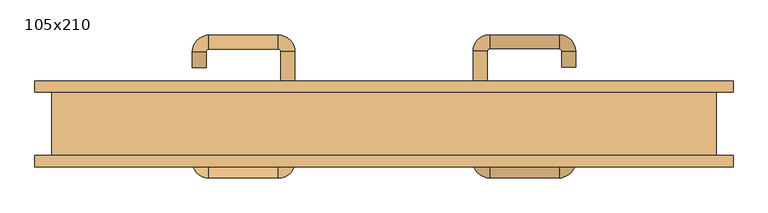
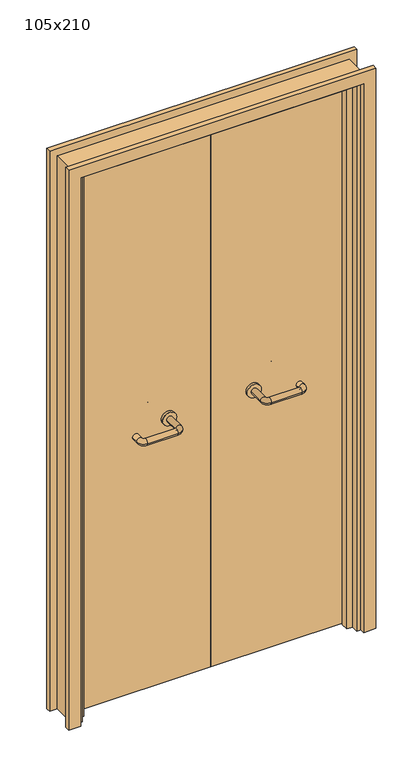
"""IFC4 building model written with IfcOpenShell, lengths in millimetres: door geometry, 105x210."""

from ifc_helpers import new_model, si_unit, point, frame, frame_2d, origin, place, context, project, spatial, polyline, circle_curve, ellipse_curve, trimmed, segment, composite_curve, outline, extrude, faceted_brep, source, transform, mapped, element, save
from ifc_brep_helpers import plane_surface, cylinder_surface, revolved_surface, advanced_brep


def door_105x210_4cf6ea09(model_context):
    return source(origin(), model_context, "Body", "SolidModel", [
        faceted_brep([(-472.0, 3.0, 0.0), (-472.0, -25.0, 0.0), (-493.0, -25.0, 0.0), (-493.0, 3.0, 0.0), (-472.0, 3.0, 2047.0), (-472.0, -25.0, 2047.0), (-493.0, -25.0, 2068.0), (-493.0, 3.0, 2068.0), (472.0, 3.0, 0.0), (493.0, 3.0, 0.0), (493.0, -25.0, 0.0), (472.0, -25.0, 0.0), (472.0, 3.0, 2047.0), (493.0, 3.0, 2068.0), (493.0, -25.0, 2068.0), (472.0, -25.0, 2047.0)], [[[0, 1, 2, 3]], [[1, 0, 4, 5]], [[2, 1, 5, 6]], [[3, 2, 6, 7]], [[0, 3, 7, 4]], [[8, 9, 10, 11]], [[12, 13, 9, 8]], [[13, 14, 10, 9]], [[14, 15, 11, 10]], [[15, 12, 8, 11]], [[5, 4, 12, 15]], [[6, 5, 15, 14]], [[7, 6, 14, 13]], [[4, 7, 13, 12]]]),
        extrude(outline(polyline([(2127.0, 552.0), (2127.0, -552.0), (0.0, -552.0), (0.0, -508.0), (2083.0, -508.0), (2083.0, 508.0), (0.0, 508.0), (0.0, 552.0), (2127.0, 552.0)])), frame((0.0, 50.0, 0.0), z_axis=(0.0, 1.0, 0.0), x_axis=(0.0, 0.0, 1.0)), (0.0, 0.0, 1.0), 18.0),
        extrude(outline(polyline([(2127.0, -552.0), (0.0, -552.0), (0.0, -508.0), (2083.0, -508.0), (2083.0, 508.0), (0.0, 508.0), (0.0, 552.0), (2127.0, 552.0), (2127.0, -552.0)])), frame((0.0, -68.0, 0.0), z_axis=(0.0, 1.0, 0.0), x_axis=(0.0, 0.0, 1.0)), (0.0, 0.0, 1.0), 18.0),
        extrude(outline(polyline([(2100.0, -525.0), (0.0, -525.0), (0.0, -493.0), (2068.0, -493.0), (2068.0, 493.0), (0.0, 493.0), (0.0, 525.0), (2100.0, 525.0), (2100.0, -525.0)])), frame((0.0, -50.0, 0.0), z_axis=(0.0, 1.0, 0.0), x_axis=(0.0, 0.0, 1.0)), (0.0, 0.0, 1.0), 100.0),
        extrude(outline(polyline([(1.0739506, 6.0), (-490.0, 6.0), (-490.0, 50.0), (1.0739506, 50.0), (1.0739506, 6.0)])), frame((0.0, 0.0, 1.753223), z_axis=(0.0, 0.0, 1.0), x_axis=(1.0, 0.0, 0.0)), (0.0, 0.0, 1.0), 2057.246777),
        extrude(outline(polyline([(490.0, 6.0), (1.0739506, 6.0), (1.0739506, 50.0), (490.0, 50.0), (490.0, 6.0)])), frame((0.0, 0.0, 1.753223), z_axis=(0.0, 0.0, 1.0), x_axis=(1.0, 0.0, 0.0)), (0.0, 0.0, 1.0), 2066.246777),
        extrude(outline(polyline([(2100.0, -525.0), (0.0, -525.0), (0.0, -493.0), (2068.0, -493.0), (2068.0, 493.0), (0.0, 493.0), (0.0, 525.0), (2100.0, 525.0), (2100.0, -525.0)])), frame((0.0, -50.0, 0.0), z_axis=(0.0, 1.0, 0.0), x_axis=(0.0, 0.0, 1.0)), (0.0, 0.0, 1.0), 100.0),
        advanced_brep(
        [(140.99898, -4.0, 1003.0), (162.99898, -4.0, 1003.0), (140.99898, -59.3525369, 1003.0), (162.99898, -59.3525369, 1003.0), (166.99898, -63.3525369, 1003.0), (166.99898, -85.3525369, 1003.0), (276.99898, -85.3525369, 1003.0), (276.99898, -63.3525369, 1003.0), (280.99898, -59.3525369, 1003.0), (302.99898, -59.3525369, 1003.0), (302.99898, -42.0, 1003.0), (280.99898, -42.0, 1003.0)],
        [
            (0, 1, circle_curve(frame((151.99898, -4.0, 1003.0), z_axis=(0.0, 1.0, 0.0), x_axis=(1.0, 0.0, 0.0)), 11.0)),
            (1, 0, circle_curve(frame((151.99898, -4.0, 1003.0), z_axis=(0.0, 1.0, 0.0), x_axis=(1.0, 0.0, 0.0)), 11.0)),
            (0, 2),
            (2, 3, circle_curve(frame((151.99898, -59.3525369, 1003.0), z_axis=(0.0, 1.0, 0.0), x_axis=(1.0, 0.0, 0.0)), 11.0)),
            (3, 1),
            (3, 2, circle_curve(frame((151.99898, -59.3525369, 1003.0), z_axis=(0.0, 1.0, 0.0), x_axis=(1.0, 0.0, 0.0)), 11.0)),
            (4, 3, circle_curve(frame((166.99898, -59.3525369, 1003.0), z_axis=(0.0, 0.0, -1.0), x_axis=(-1.0, 0.0, 0.0)), 4.0)),
            (2, 5, circle_curve(frame((166.99898, -59.3525369, 1003.0), z_axis=(0.0, 0.0, 1.0), x_axis=(-1.0, 0.0, 0.0)), 26.0)),
            (5, 4, circle_curve(frame((166.99898, -74.3525369, 1003.0), z_axis=(-1.0, 0.0, 0.0), x_axis=(0.0, 1.0, 0.0)), 11.0)),
            (4, 5, circle_curve(frame((166.99898, -74.3525369, 1003.0), z_axis=(-1.0, 0.0, 0.0), x_axis=(0.0, 1.0, 0.0)), 11.0)),
            (5, 6),
            (6, 7, circle_curve(frame((276.99898, -74.3525369, 1003.0), z_axis=(-1.0, 0.0, 0.0), x_axis=(0.0, 1.0, 0.0)), 11.0)),
            (7, 4),
            (7, 6, circle_curve(frame((276.99898, -74.3525369, 1003.0), z_axis=(-1.0, 0.0, 0.0), x_axis=(0.0, 1.0, 0.0)), 11.0)),
            (8, 7, circle_curve(frame((276.99898, -59.3525369, 1003.0), z_axis=(0.0, 0.0, -1.0), x_axis=(0.0, -1.0, 0.0)), 4.0)),
            (6, 9, circle_curve(frame((276.99898, -59.3525369, 1003.0), z_axis=(0.0, 0.0, 1.0), x_axis=(0.0, -1.0, 0.0)), 26.0)),
            (9, 8, circle_curve(frame((291.99898, -59.3525369, 1003.0), z_axis=(0.0, -1.0, 0.0), x_axis=(-1.0, 0.0, 0.0)), 11.0)),
            (8, 9, circle_curve(frame((291.99898, -59.3525369, 1003.0), z_axis=(0.0, -1.0, 0.0), x_axis=(-1.0, 0.0, 0.0)), 11.0)),
            (10, 11, circle_curve(frame((291.99898, -42.0, 1003.0), z_axis=(0.0, 1.0, 0.0), x_axis=(-1.0, 0.0, 0.0)), 11.0)),
            (11, 10, circle_curve(frame((291.99898, -42.0, 1003.0), z_axis=(0.0, 1.0, 0.0), x_axis=(-1.0, 0.0, 0.0)), 11.0)),
            (9, 10),
            (11, 8),
        ],
        [
            plane_surface(frame((140.99898, -4.0, 1003.0), z_axis=(0.0, 1.0, 0.0), x_axis=(0.0, 0.0, -1.0))),
            cylinder_surface(frame((151.99898, -4.0, 1003.0), z_axis=(0.0, 1.0, 0.0), x_axis=(1.0, 0.0, 0.0)), 11.0),
            revolved_surface(trimmed(ellipse_curve(frame((151.99898, -59.3525369, 1003.0), z_axis=(0.0, 1.0, 0.0), x_axis=(1.0, 0.0, 0.0)), 11.0, 11.0), [point((140.99898, -59.3525369, 1003.0))], [point((162.99898, -59.3525369, 1003.0))], True, "CARTESIAN"), (166.99898, -59.3525369, 1003.0), (0.0, 0.0, 1.0)),
            revolved_surface(trimmed(ellipse_curve(frame((151.99898, -59.3525369, 1003.0), z_axis=(0.0, 1.0, 0.0), x_axis=(1.0, 0.0, 0.0)), 11.0, 11.0), [point((162.99898, -59.3525369, 1003.0))], [point((140.99898, -59.3525369, 1003.0))], True, "CARTESIAN"), (166.99898, -59.3525369, 1003.0), (0.0, 0.0, 1.0)),
            cylinder_surface(frame((166.99898, -74.3525369, 1003.0), z_axis=(-1.0, 0.0, 0.0), x_axis=(0.0, 1.0, 0.0)), 11.0),
            revolved_surface(trimmed(ellipse_curve(frame((276.99898, -74.3525369, 1003.0), z_axis=(-1.0, 0.0, 0.0), x_axis=(0.0, 1.0, 0.0)), 11.0, 11.0), [point((276.99898, -85.3525369, 1003.0))], [point((276.99898, -63.3525369, 1003.0))], True, "CARTESIAN"), (276.99898, -59.3525369, 1003.0), (0.0, 0.0, 1.0)),
            revolved_surface(trimmed(ellipse_curve(frame((276.99898, -74.3525369, 1003.0), z_axis=(-1.0, 0.0, 0.0), x_axis=(0.0, 1.0, 0.0)), 11.0, 11.0), [point((276.99898, -63.3525369, 1003.0))], [point((276.99898, -85.3525369, 1003.0))], True, "CARTESIAN"), (276.99898, -59.3525369, 1003.0), (0.0, 0.0, 1.0)),
            plane_surface(frame((280.99898, -42.0, 1003.0), z_axis=(0.0, 1.0, 0.0), x_axis=(0.0, 0.0, 1.0))),
            cylinder_surface(frame((291.99898, -59.3525369, 1003.0), z_axis=(0.0, -1.0, 0.0), x_axis=(-1.0, 0.0, 0.0)), 11.0),
        ],
        [
            (0, [[1, 2]]),
            (1, [[-1, 3, 4, 5]]),
            (1, [[-2, -5, 6, -3]]),
            (2, [[7, -4, 8, 9]]),
            (3, [[-8, -6, -7, 10]]),
            (4, [[-9, 11, 12, 13]]),
            (4, [[-10, -13, 14, -11]]),
            (5, [[15, -12, 16, 17]]),
            (6, [[-16, -14, -15, 18]]),
            (7, [[19, 20]]),
            (8, [[-17, 21, -20, 22]]),
            (8, [[-18, -22, -19, -21]]),
        ],
    ),
        extrude(outline(composite_curve([segment(trimmed(circle_curve(frame_2d((1003.0, 151.99898)), 25.0), [point((1003.0, 126.99898))], [point((1003.0, 176.99898))], False, "CARTESIAN"), True, "CONTINUOUS"), segment(trimmed(circle_curve(frame_2d((1003.0, 151.99898)), 25.0), [point((1003.0, 176.99898))], [point((1003.0, 126.99898))], False, "CARTESIAN"), True, "CONTINUOUS")], self_intersect=False)), frame((0.0, -4.0, 0.0), z_axis=(0.0, 1.0, 0.0), x_axis=(0.0, 0.0, 1.0)), (0.0, 0.0, 1.0), 10.0),
        advanced_brep(
        [(162.99898, 60.0, 1003.0), (140.99898, 60.0, 1003.0), (162.99898, 115.0, 1003.0), (140.99898, 115.0, 1003.0), (166.99898, 141.0, 1003.0), (166.99898, 119.0, 1003.0), (276.99898, 119.0, 1003.0), (276.99898, 141.0, 1003.0), (302.99898, 115.0, 1003.0), (280.99898, 115.0, 1003.0), (280.99898, 90.0, 1003.0), (302.99898, 90.0, 1003.0)],
        [
            (0, 1, circle_curve(frame((151.99898, 60.0, 1003.0), z_axis=(0.0, -1.0, 0.0), x_axis=(-1.0, 0.0, 0.0)), 11.0)),
            (1, 0, circle_curve(frame((151.99898, 60.0, 1003.0), z_axis=(0.0, -1.0, 0.0), x_axis=(-1.0, 0.0, 0.0)), 11.0)),
            (0, 2),
            (2, 3, circle_curve(frame((151.99898, 115.0, 1003.0), z_axis=(0.0, -1.0, 0.0), x_axis=(-1.0, 0.0, 0.0)), 11.0)),
            (3, 1),
            (3, 2, circle_curve(frame((151.99898, 115.0, 1003.0), z_axis=(0.0, -1.0, 0.0), x_axis=(-1.0, 0.0, 0.0)), 11.0)),
            (4, 3, circle_curve(frame((166.99898, 115.0, 1003.0), z_axis=(0.0, 0.0, 1.0), x_axis=(-1.0, 0.0, 0.0)), 26.0)),
            (2, 5, circle_curve(frame((166.99898, 115.0, 1003.0), z_axis=(0.0, 0.0, -1.0), x_axis=(-1.0, 0.0, 0.0)), 4.0)),
            (5, 4, circle_curve(frame((166.99898, 130.0, 1003.0), z_axis=(-1.0, 0.0, 0.0), x_axis=(0.0, 1.0, 0.0)), 11.0)),
            (4, 5, circle_curve(frame((166.99898, 130.0, 1003.0), z_axis=(-1.0, 0.0, 0.0), x_axis=(0.0, 1.0, 0.0)), 11.0)),
            (5, 6),
            (6, 7, circle_curve(frame((276.99898, 130.0, 1003.0), z_axis=(-1.0, 0.0, 0.0), x_axis=(0.0, 1.0, 0.0)), 11.0)),
            (7, 4),
            (7, 6, circle_curve(frame((276.99898, 130.0, 1003.0), z_axis=(-1.0, 0.0, 0.0), x_axis=(0.0, 1.0, 0.0)), 11.0)),
            (8, 7, circle_curve(frame((276.99898, 115.0, 1003.0), z_axis=(0.0, 0.0, 1.0), x_axis=(0.0, 1.0, 0.0)), 26.0)),
            (6, 9, circle_curve(frame((276.99898, 115.0, 1003.0), z_axis=(0.0, 0.0, -1.0), x_axis=(0.0, 1.0, 0.0)), 4.0)),
            (9, 8, circle_curve(frame((291.99898, 115.0, 1003.0), z_axis=(0.0, 1.0, 0.0), x_axis=(1.0, 0.0, 0.0)), 11.0)),
            (8, 9, circle_curve(frame((291.99898, 115.0, 1003.0), z_axis=(0.0, 1.0, 0.0), x_axis=(1.0, 0.0, 0.0)), 11.0)),
            (10, 11, circle_curve(frame((291.99898, 90.0, 1003.0), z_axis=(0.0, -1.0, 0.0), x_axis=(1.0, 0.0, 0.0)), 11.0)),
            (11, 10, circle_curve(frame((291.99898, 90.0, 1003.0), z_axis=(0.0, -1.0, 0.0), x_axis=(1.0, 0.0, 0.0)), 11.0)),
            (9, 10),
            (11, 8),
        ],
        [
            plane_surface(frame((140.99898, 60.0, 1003.0), z_axis=(0.0, -1.0, 0.0), x_axis=(0.0, 0.0, 1.0))),
            cylinder_surface(frame((151.99898, 60.0, 1003.0), z_axis=(0.0, -1.0, 0.0), x_axis=(-1.0, 0.0, 0.0)), 11.0),
            revolved_surface(trimmed(ellipse_curve(frame((151.99898, 115.0, 1003.0), z_axis=(0.0, -1.0, 0.0), x_axis=(-1.0, 0.0, 0.0)), 11.0, 11.0), [point((162.99898, 115.0, 1003.0))], [point((140.99898, 115.0, 1003.0))], True, "CARTESIAN"), (166.99898, 115.0, 1003.0), (0.0, 0.0, -1.0)),
            revolved_surface(trimmed(ellipse_curve(frame((151.99898, 115.0, 1003.0), z_axis=(0.0, -1.0, 0.0), x_axis=(-1.0, 0.0, 0.0)), 11.0, 11.0), [point((140.99898, 115.0, 1003.0))], [point((162.99898, 115.0, 1003.0))], True, "CARTESIAN"), (166.99898, 115.0, 1003.0), (0.0, 0.0, -1.0)),
            cylinder_surface(frame((166.99898, 130.0, 1003.0), z_axis=(-1.0, 0.0, 0.0), x_axis=(0.0, 1.0, 0.0)), 11.0),
            revolved_surface(trimmed(ellipse_curve(frame((276.99898, 130.0, 1003.0), z_axis=(-1.0, 0.0, 0.0), x_axis=(0.0, 1.0, 0.0)), 11.0, 11.0), [point((276.99898, 119.0, 1003.0))], [point((276.99898, 141.0, 1003.0))], True, "CARTESIAN"), (276.99898, 115.0, 1003.0), (0.0, 0.0, -1.0)),
            revolved_surface(trimmed(ellipse_curve(frame((276.99898, 130.0, 1003.0), z_axis=(-1.0, 0.0, 0.0), x_axis=(0.0, 1.0, 0.0)), 11.0, 11.0), [point((276.99898, 141.0, 1003.0))], [point((276.99898, 119.0, 1003.0))], True, "CARTESIAN"), (276.99898, 115.0, 1003.0), (0.0, 0.0, -1.0)),
            plane_surface(frame((280.99898, 90.0, 1003.0), z_axis=(0.0, -1.0, 0.0), x_axis=(0.0, 0.0, -1.0))),
            cylinder_surface(frame((291.99898, 115.0, 1003.0), z_axis=(0.0, 1.0, 0.0), x_axis=(1.0, 0.0, 0.0)), 11.0),
        ],
        [
            (0, [[1, 2]]),
            (1, [[-1, 3, 4, 5]]),
            (1, [[-2, -5, 6, -3]]),
            (2, [[7, -4, 8, 9]]),
            (3, [[-8, -6, -7, 10]]),
            (4, [[-9, 11, 12, 13]]),
            (4, [[-10, -13, 14, -11]]),
            (5, [[15, -12, 16, 17]]),
            (6, [[-16, -14, -15, 18]]),
            (7, [[19, 20]]),
            (8, [[-17, 21, -20, 22]]),
            (8, [[-18, -22, -19, -21]]),
        ],
    ),
        extrude(outline(composite_curve([segment(trimmed(circle_curve(frame_2d((1003.0, 151.99898)), 25.0), [point((1003.0, 176.99898))], [point((1003.0, 126.99898))], False, "CARTESIAN"), True, "CONTINUOUS"), segment(trimmed(circle_curve(frame_2d((1003.0, 151.99898)), 25.0), [point((1003.0, 126.99898))], [point((1003.0, 176.99898))], False, "CARTESIAN"), True, "CONTINUOUS")], self_intersect=False)), frame((0.0, 50.0, 0.0), z_axis=(0.0, 1.0, 0.0), x_axis=(0.0, 0.0, 1.0)), (0.0, 0.0, 1.0), 10.0),
        advanced_brep(
        [(-162.99898, -4.3113879, 1003.0), (-140.99898, -4.3113879, 1003.0), (-162.99898, -59.7220447, 1003.0), (-140.99898, -59.7220447, 1003.0), (-166.99898, -85.7220447, 1003.0), (-166.99898, -63.7220447, 1003.0), (-276.99898, -63.7220447, 1003.0), (-276.99898, -85.7220447, 1003.0), (-302.99898, -59.7220447, 1003.0), (-280.99898, -59.7220447, 1003.0), (-280.99898, -34.7220447, 1003.0), (-302.99898, -34.7220447, 1003.0)],
        [
            (0, 1, circle_curve(frame((-151.99898, -4.3113879, 1003.0), z_axis=(0.0, 1.0, 0.0), x_axis=(1.0, 0.0, 0.0)), 11.0)),
            (1, 0, circle_curve(frame((-151.99898, -4.3113879, 1003.0), z_axis=(0.0, 1.0, 0.0), x_axis=(1.0, 0.0, 0.0)), 11.0)),
            (0, 2),
            (2, 3, circle_curve(frame((-151.99898, -59.7220447, 1003.0), z_axis=(0.0, 1.0, 0.0), x_axis=(1.0, 0.0, 0.0)), 11.0)),
            (3, 1),
            (3, 2, circle_curve(frame((-151.99898, -59.7220447, 1003.0), z_axis=(0.0, 1.0, 0.0), x_axis=(1.0, 0.0, 0.0)), 11.0)),
            (4, 3, circle_curve(frame((-166.99898, -59.7220447, 1003.0), z_axis=(0.0, 0.0, 1.0), x_axis=(1.0, 0.0, 0.0)), 26.0)),
            (2, 5, circle_curve(frame((-166.99898, -59.7220447, 1003.0), z_axis=(0.0, 0.0, -1.0), x_axis=(1.0, 0.0, 0.0)), 4.0)),
            (5, 4, circle_curve(frame((-166.99898, -74.7220447, 1003.0), z_axis=(1.0, 0.0, 0.0), x_axis=(0.0, -1.0, 0.0)), 11.0)),
            (4, 5, circle_curve(frame((-166.99898, -74.7220447, 1003.0), z_axis=(1.0, 0.0, 0.0), x_axis=(0.0, -1.0, 0.0)), 11.0)),
            (5, 6),
            (6, 7, circle_curve(frame((-276.99898, -74.7220447, 1003.0), z_axis=(1.0, 0.0, 0.0), x_axis=(0.0, -1.0, 0.0)), 11.0)),
            (7, 4),
            (7, 6, circle_curve(frame((-276.99898, -74.7220447, 1003.0), z_axis=(1.0, 0.0, 0.0), x_axis=(0.0, -1.0, 0.0)), 11.0)),
            (8, 7, circle_curve(frame((-276.99898, -59.7220447, 1003.0), z_axis=(0.0, 0.0, 1.0), x_axis=(0.0, -1.0, 0.0)), 26.0)),
            (6, 9, circle_curve(frame((-276.99898, -59.7220447, 1003.0), z_axis=(0.0, 0.0, -1.0), x_axis=(0.0, -1.0, 0.0)), 4.0)),
            (9, 8, circle_curve(frame((-291.99898, -59.7220447, 1003.0), z_axis=(0.0, -1.0, 0.0), x_axis=(-1.0, 0.0, 0.0)), 11.0)),
            (8, 9, circle_curve(frame((-291.99898, -59.7220447, 1003.0), z_axis=(0.0, -1.0, 0.0), x_axis=(-1.0, 0.0, 0.0)), 11.0)),
            (10, 11, circle_curve(frame((-291.99898, -34.7220447, 1003.0), z_axis=(0.0, 1.0, 0.0), x_axis=(-1.0, 0.0, 0.0)), 11.0)),
            (11, 10, circle_curve(frame((-291.99898, -34.7220447, 1003.0), z_axis=(0.0, 1.0, 0.0), x_axis=(-1.0, 0.0, 0.0)), 11.0)),
            (9, 10),
            (11, 8),
        ],
        [
            plane_surface(frame((-162.99898, -4.3113879, 1003.0), z_axis=(0.0, 1.0, 0.0), x_axis=(0.0, 0.0, -1.0))),
            cylinder_surface(frame((-151.99898, -4.3113879, 1003.0), z_axis=(0.0, 1.0, 0.0), x_axis=(1.0, 0.0, 0.0)), 11.0),
            revolved_surface(trimmed(ellipse_curve(frame((-151.99898, -59.7220447, 1003.0), z_axis=(0.0, 1.0, 0.0), x_axis=(1.0, 0.0, 0.0)), 11.0, 11.0), [point((-162.99898, -59.7220447, 1003.0))], [point((-140.99898, -59.7220447, 1003.0))], True, "CARTESIAN"), (-166.99898, -59.7220447, 1003.0), (0.0, 0.0, -1.0)),
            revolved_surface(trimmed(ellipse_curve(frame((-151.99898, -59.7220447, 1003.0), z_axis=(0.0, 1.0, 0.0), x_axis=(1.0, 0.0, 0.0)), 11.0, 11.0), [point((-140.99898, -59.7220447, 1003.0))], [point((-162.99898, -59.7220447, 1003.0))], True, "CARTESIAN"), (-166.99898, -59.7220447, 1003.0), (0.0, 0.0, -1.0)),
            cylinder_surface(frame((-166.99898, -74.7220447, 1003.0), z_axis=(1.0, 0.0, 0.0), x_axis=(0.0, -1.0, 0.0)), 11.0),
            revolved_surface(trimmed(ellipse_curve(frame((-276.99898, -74.7220447, 1003.0), z_axis=(1.0, 0.0, 0.0), x_axis=(0.0, -1.0, 0.0)), 11.0, 11.0), [point((-276.99898, -63.7220447, 1003.0))], [point((-276.99898, -85.7220447, 1003.0))], True, "CARTESIAN"), (-276.99898, -59.7220447, 1003.0), (0.0, 0.0, -1.0)),
            revolved_surface(trimmed(ellipse_curve(frame((-276.99898, -74.7220447, 1003.0), z_axis=(1.0, 0.0, 0.0), x_axis=(0.0, -1.0, 0.0)), 11.0, 11.0), [point((-276.99898, -85.7220447, 1003.0))], [point((-276.99898, -63.7220447, 1003.0))], True, "CARTESIAN"), (-276.99898, -59.7220447, 1003.0), (0.0, 0.0, -1.0)),
            plane_surface(frame((-302.99898, -34.7220447, 1003.0), z_axis=(0.0, 1.0, 0.0), x_axis=(0.0, 0.0, 1.0))),
            cylinder_surface(frame((-291.99898, -59.7220447, 1003.0), z_axis=(0.0, -1.0, 0.0), x_axis=(-1.0, 0.0, 0.0)), 11.0),
        ],
        [
            (0, [[1, 2]]),
            (1, [[-1, 3, 4, 5]]),
            (1, [[-2, -5, 6, -3]]),
            (2, [[7, -4, 8, 9]]),
            (3, [[-8, -6, -7, 10]]),
            (4, [[-9, 11, 12, 13]]),
            (4, [[-10, -13, 14, -11]]),
            (5, [[15, -12, 16, 17]]),
            (6, [[-16, -14, -15, 18]]),
            (7, [[19, 20]]),
            (8, [[-17, 21, -20, 22]]),
            (8, [[-18, -22, -19, -21]]),
        ],
    ),
        extrude(outline(composite_curve([segment(trimmed(circle_curve(frame_2d((1003.0, -151.99898)), 25.0), [point((1003.0, -176.99898))], [point((1003.0, -126.99898))], False, "CARTESIAN"), True, "CONTINUOUS"), segment(trimmed(circle_curve(frame_2d((1003.0, -151.99898)), 25.0), [point((1003.0, -126.99898))], [point((1003.0, -176.99898))], False, "CARTESIAN"), True, "CONTINUOUS")], self_intersect=False)), frame((0.0, -4.3113879, 0.0), z_axis=(0.0, 1.0, 0.0), x_axis=(0.0, 0.0, 1.0)), (0.0, 0.0, 1.0), 10.3113879),
        advanced_brep(
        [(-140.99898, 59.5143417, 1003.0), (-162.99898, 59.5143417, 1003.0), (-140.99898, 114.6104656, 1003.0), (-162.99898, 114.6104656, 1003.0), (-166.99898, 118.6104656, 1003.0), (-166.99898, 140.6104656, 1003.0), (-276.99898, 140.6104656, 1003.0), (-276.99898, 118.6104656, 1003.0), (-280.99898, 114.6104656, 1003.0), (-302.99898, 114.6104656, 1003.0), (-302.99898, 89.6104656, 1003.0), (-280.99898, 89.6104656, 1003.0)],
        [
            (0, 1, circle_curve(frame((-151.99898, 59.5143417, 1003.0), z_axis=(0.0, -1.0, 0.0), x_axis=(-1.0, 0.0, 0.0)), 11.0)),
            (1, 0, circle_curve(frame((-151.99898, 59.5143417, 1003.0), z_axis=(0.0, -1.0, 0.0), x_axis=(-1.0, 0.0, 0.0)), 11.0)),
            (0, 2),
            (2, 3, circle_curve(frame((-151.99898, 114.6104656, 1003.0), z_axis=(0.0, -1.0, 0.0), x_axis=(-1.0, 0.0, 0.0)), 11.0)),
            (3, 1),
            (3, 2, circle_curve(frame((-151.99898, 114.6104656, 1003.0), z_axis=(0.0, -1.0, 0.0), x_axis=(-1.0, 0.0, 0.0)), 11.0)),
            (4, 3, circle_curve(frame((-166.99898, 114.6104656, 1003.0), z_axis=(0.0, 0.0, -1.0), x_axis=(1.0, 0.0, 0.0)), 4.0)),
            (2, 5, circle_curve(frame((-166.99898, 114.6104656, 1003.0), z_axis=(0.0, 0.0, 1.0), x_axis=(1.0, 0.0, 0.0)), 26.0)),
            (5, 4, circle_curve(frame((-166.99898, 129.6104656, 1003.0), z_axis=(1.0, 0.0, 0.0), x_axis=(0.0, -1.0, 0.0)), 11.0)),
            (4, 5, circle_curve(frame((-166.99898, 129.6104656, 1003.0), z_axis=(1.0, 0.0, 0.0), x_axis=(0.0, -1.0, 0.0)), 11.0)),
            (5, 6),
            (6, 7, circle_curve(frame((-276.99898, 129.6104656, 1003.0), z_axis=(1.0, 0.0, 0.0), x_axis=(0.0, -1.0, 0.0)), 11.0)),
            (7, 4),
            (7, 6, circle_curve(frame((-276.99898, 129.6104656, 1003.0), z_axis=(1.0, 0.0, 0.0), x_axis=(0.0, -1.0, 0.0)), 11.0)),
            (8, 7, circle_curve(frame((-276.99898, 114.6104656, 1003.0), z_axis=(0.0, 0.0, -1.0), x_axis=(0.0, 1.0, 0.0)), 4.0)),
            (6, 9, circle_curve(frame((-276.99898, 114.6104656, 1003.0), z_axis=(0.0, 0.0, 1.0), x_axis=(0.0, 1.0, 0.0)), 26.0)),
            (9, 8, circle_curve(frame((-291.99898, 114.6104656, 1003.0), z_axis=(0.0, 1.0, 0.0), x_axis=(1.0, 0.0, 0.0)), 11.0)),
            (8, 9, circle_curve(frame((-291.99898, 114.6104656, 1003.0), z_axis=(0.0, 1.0, 0.0), x_axis=(1.0, 0.0, 0.0)), 11.0)),
            (10, 11, circle_curve(frame((-291.99898, 89.6104656, 1003.0), z_axis=(0.0, -1.0, 0.0), x_axis=(1.0, 0.0, 0.0)), 11.0)),
            (11, 10, circle_curve(frame((-291.99898, 89.6104656, 1003.0), z_axis=(0.0, -1.0, 0.0), x_axis=(1.0, 0.0, 0.0)), 11.0)),
            (9, 10),
            (11, 8),
        ],
        [
            plane_surface(frame((-162.99898, 59.5143417, 1003.0), z_axis=(0.0, -1.0, 0.0), x_axis=(0.0, 0.0, 1.0))),
            cylinder_surface(frame((-151.99898, 59.5143417, 1003.0), z_axis=(0.0, -1.0, 0.0), x_axis=(-1.0, 0.0, 0.0)), 11.0),
            revolved_surface(trimmed(ellipse_curve(frame((-151.99898, 114.6104656, 1003.0), z_axis=(0.0, -1.0, 0.0), x_axis=(-1.0, 0.0, 0.0)), 11.0, 11.0), [point((-140.99898, 114.6104656, 1003.0))], [point((-162.99898, 114.6104656, 1003.0))], True, "CARTESIAN"), (-166.99898, 114.6104656, 1003.0), (0.0, 0.0, 1.0)),
            revolved_surface(trimmed(ellipse_curve(frame((-151.99898, 114.6104656, 1003.0), z_axis=(0.0, -1.0, 0.0), x_axis=(-1.0, 0.0, 0.0)), 11.0, 11.0), [point((-162.99898, 114.6104656, 1003.0))], [point((-140.99898, 114.6104656, 1003.0))], True, "CARTESIAN"), (-166.99898, 114.6104656, 1003.0), (0.0, 0.0, 1.0)),
            cylinder_surface(frame((-166.99898, 129.6104656, 1003.0), z_axis=(1.0, 0.0, 0.0), x_axis=(0.0, -1.0, 0.0)), 11.0),
            revolved_surface(trimmed(ellipse_curve(frame((-276.99898, 129.6104656, 1003.0), z_axis=(1.0, 0.0, 0.0), x_axis=(0.0, -1.0, 0.0)), 11.0, 11.0), [point((-276.99898, 140.6104656, 1003.0))], [point((-276.99898, 118.6104656, 1003.0))], True, "CARTESIAN"), (-276.99898, 114.6104656, 1003.0), (0.0, 0.0, 1.0)),
            revolved_surface(trimmed(ellipse_curve(frame((-276.99898, 129.6104656, 1003.0), z_axis=(1.0, 0.0, 0.0), x_axis=(0.0, -1.0, 0.0)), 11.0, 11.0), [point((-276.99898, 118.6104656, 1003.0))], [point((-276.99898, 140.6104656, 1003.0))], True, "CARTESIAN"), (-276.99898, 114.6104656, 1003.0), (0.0, 0.0, 1.0)),
            plane_surface(frame((-302.99898, 89.6104656, 1003.0), z_axis=(0.0, -1.0, 0.0), x_axis=(0.0, 0.0, -1.0))),
            cylinder_surface(frame((-291.99898, 114.6104656, 1003.0), z_axis=(0.0, 1.0, 0.0), x_axis=(1.0, 0.0, 0.0)), 11.0),
        ],
        [
            (0, [[1, 2]]),
            (1, [[-1, 3, 4, 5]]),
            (1, [[-2, -5, 6, -3]]),
            (2, [[7, -4, 8, 9]]),
            (3, [[-8, -6, -7, 10]]),
            (4, [[-9, 11, 12, 13]]),
            (4, [[-10, -13, 14, -11]]),
            (5, [[15, -12, 16, 17]]),
            (6, [[-16, -14, -15, 18]]),
            (7, [[19, 20]]),
            (8, [[-17, 21, -20, 22]]),
            (8, [[-18, -22, -19, -21]]),
        ],
    ),
        extrude(outline(composite_curve([segment(trimmed(circle_curve(frame_2d((1003.0, -151.99898)), 25.0), [point((1003.0, -126.99898))], [point((1003.0, -176.99898))], False, "CARTESIAN"), True, "CONTINUOUS"), segment(trimmed(circle_curve(frame_2d((1003.0, -151.99898)), 25.0), [point((1003.0, -176.99898))], [point((1003.0, -126.99898))], False, "CARTESIAN"), True, "CONTINUOUS")], self_intersect=False)), frame((0.0, 50.0, 0.0), z_axis=(0.0, 1.0, 0.0), x_axis=(0.0, 0.0, 1.0)), (0.0, 0.0, 1.0), 9.5143417),
    ])


if __name__ == "__main__":
    model = new_model("IFC4")
    model_context = context("Model", 3, world=origin())
    ifc_project = project(units=[si_unit("LENGTHUNIT", "METRE", prefix="MILLI")], contexts=[model_context])
    site = spatial("IfcSite", under=ifc_project)
    building = spatial("IfcBuilding", under=site)
    placement = place(None, origin())
    door_105x210_shape = door_105x210_4cf6ea09(model_context)
    element("IfcDoor", 1, ObjectType="105x210", at=placement, inside=building, context=model_context, shape_type="MappedRepresentation", body=[
        mapped(door_105x210_shape, transform((0.0, 0.0, 0.0), x_axis=(1.0, 0.0, 0.0), y_axis=(0.0, 1.0, 0.0), z_axis=(0.0, 0.0, 1.0))),
    ])
    save(model, "model.ifc")
